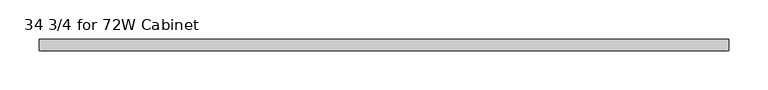
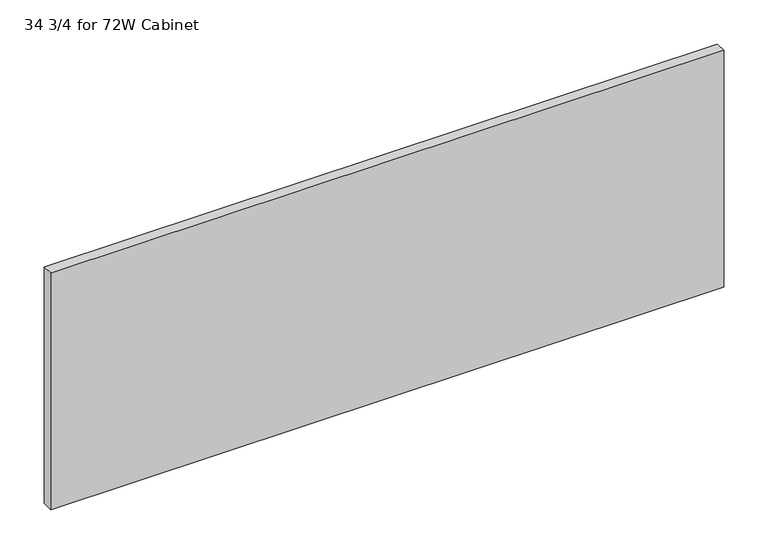
"""IFC4 building model written with IfcOpenShell, lengths in millimetres: furniture geometry, 34 3/4 for 72W Cabinet."""

from ifc_helpers import new_model, si_unit, frame, origin, place, context, project, spatial, polyline, outline, extrude, source, transform, mapped, element, save


def furniture_34_3_4_for_72w_cabinet_495809ba(model_context):
    return source(origin(), model_context, "Body", "SweptSolid", [
        extrude(outline(polyline([(441.325, -33.8601849), (441.325, -48.5445599), (-441.325, -48.5445599), (-441.325, -33.8601849), (441.325, -33.8601849)])), frame((0.0, 0.0, 1181.1), z_axis=(0.0, 0.0, 1.0), x_axis=(1.0, 0.0, 0.0)), (0.0, 0.0, 1.0), 328.1164062),
    ])


if __name__ == "__main__":
    model = new_model("IFC4")
    model_context = context("Model", 3, world=origin())
    ifc_project = project(units=[si_unit("LENGTHUNIT", "METRE", prefix="MILLI")], contexts=[model_context])
    site = spatial("IfcSite", under=ifc_project)
    building = spatial("IfcBuilding", under=site)
    placement = place(None, origin())
    furniture_34_3_4_for_72w_cabinet_shape = furniture_34_3_4_for_72w_cabinet_495809ba(model_context)
    element("IfcFurniture", 1, ObjectType="34 3/4 for 72W Cabinet", at=placement, inside=building, context=model_context, shape_type="MappedRepresentation", body=[
        mapped(furniture_34_3_4_for_72w_cabinet_shape, transform((0.0, 0.0, 0.0), x_axis=(1.0, 0.0, 0.0), y_axis=(0.0, 1.0, 0.0), z_axis=(0.0, 0.0, 1.0))),
    ])
    save(model, "model.ifc")
